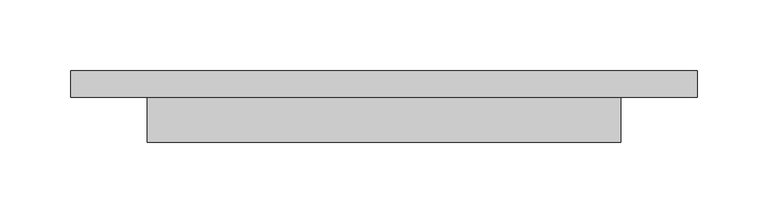
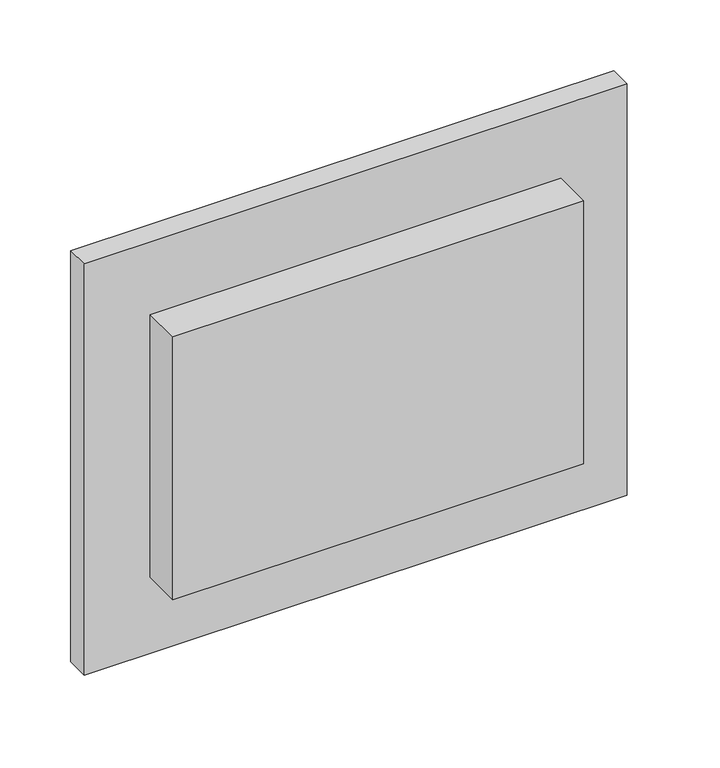
"""IFC4 building model written with IfcOpenShell, lengths in millimetres: proxy geometry."""

import ifcopenshell
import ifcopenshell.guid

model = None  # the IFC model being written
_history = None  # IfcOwnerHistory: only IFC2X3 demands one
_inside = {}  # id of a spatial element -> (the spatial element, [elements in it])
_under = {}  # id of a project, library or spatial element -> (it, [spatial elements below it])
_declared = {}  # id of a project -> (the project, [libraries it declares])
_typed = {}  # id of a type object -> (the type object, [elements of that type])
_made_of = {}  # id of a material, layer set ... -> (it, [elements and type objects made of it])


def new_model(schema):
    """Start an empty IFC model of exactly this schema.

    Asked for "IFC4X3", IfcOpenShell would pick the latest addendum, in which some entities
    have other attributes; the version numbers below select the first issue.
    IFC2X3 requires an IfcOwnerHistory on every rooted entity: one is made here for all.
    """
    global model, _history
    if schema == "IFC4X3":
        model = ifcopenshell.file(schema_version=(4, 3, 0, 0))
    else:
        model = ifcopenshell.file(schema=schema)
    _inside.clear()
    _under.clear()
    _declared.clear()
    _typed.clear()
    _made_of.clear()
    _history = None
    if model.schema == "IFC2X3":
        org = make("IfcOrganization", Name="unknown")
        user = make(
            "IfcPersonAndOrganization",
            ThePerson=make("IfcPerson", FamilyName="unknown"),
            TheOrganization=org,
        )
        app = make(
            "IfcApplication",
            ApplicationDeveloper=org,
            Version="unknown",
            ApplicationFullName="unknown",
            ApplicationIdentifier="unknown",
        )
        _history = make(
            "IfcOwnerHistory",
            OwningUser=user,
            OwningApplication=app,
            ChangeAction="ADDED",
            CreationDate=0,
        )
    return model


def make(cls, **values):
    """One entity of the class cls with the attributes given. An attribute that is None is left unset."""
    return model.create_entity(
        cls, **{name: value for name, value in values.items() if value is not None}
    )


def rooted(cls, **values):
    """An entity with a GlobalId (a new one), such as an element, a storey or a relation."""
    return make(cls, GlobalId=ifcopenshell.guid.new(), OwnerHistory=_history, **values)


def si_unit(unit_type, name, prefix=None):
    """IfcSIUnit, for example si_unit("LENGTHUNIT", "METRE", prefix="MILLI")."""
    return make("IfcSIUnit", UnitType=unit_type, Prefix=prefix, Name=name)


def assignment(units):
    """IfcUnitAssignment: the units of a project."""
    return None if units is None else make("IfcUnitAssignment", Units=units)


def point(xyz):
    """IfcCartesianPoint."""
    return None if xyz is None else make("IfcCartesianPoint", Coordinates=xyz)


def direction(xyz):
    """IfcDirection."""
    return None if xyz is None else make("IfcDirection", DirectionRatios=xyz)


def frame(location, z_axis=None, x_axis=None):
    """IfcAxis2Placement3D, a coordinate frame: its origin and axes. An axis left out is left unset."""
    return make(
        "IfcAxis2Placement3D",
        Location=point(location),
        Axis=direction(z_axis),
        RefDirection=direction(x_axis),
    )


def origin():
    """The frame at (0, 0, 0) with its axes left unset."""
    return frame((0.0, 0.0, 0.0))


def place(relative_to, where):
    """IfcLocalPlacement: puts the frame where relative to a parent placement (None: the world)."""
    return make(
        "IfcLocalPlacement", PlacementRelTo=relative_to, RelativePlacement=where
    )


def context(
    kind, dimensions, precision=None, world=None, true_north=None, identifier=None
):
    """IfcGeometricRepresentationContext, for example the 3D "Model" context."""
    return make(
        "IfcGeometricRepresentationContext",
        ContextIdentifier=identifier,
        ContextType=kind,
        CoordinateSpaceDimension=dimensions,
        Precision=precision,
        WorldCoordinateSystem=world,
        TrueNorth=true_north,
    )


def project(units=None, contexts=None):
    """IfcProject with its units and contexts."""
    return rooted(
        "IfcProject",
        Name="project",
        RepresentationContexts=contexts,
        UnitsInContext=assignment(units),
    )


def spatial(cls, under=None, at=None, **own):
    """A site, building, storey or space (cls), placed at a placement, below another one or the project."""
    s = rooted(cls, ObjectPlacement=at, **own)
    if under is not None:
        _under.setdefault(under.id(), (under, []))[1].append(s)
    return s


def polyline(points):
    """IfcPolyline through the points."""
    return make("IfcPolyline", Points=[point(p) for p in points])


def outline(outer, holes=None, kind="AREA"):
    """IfcArbitraryClosedProfileDef: a profile drawn as a closed curve; with holes, ...WithVoids."""
    if holes is None:
        return make("IfcArbitraryClosedProfileDef", ProfileType=kind, OuterCurve=outer)
    return make(
        "IfcArbitraryProfileDefWithVoids",
        ProfileType=kind,
        OuterCurve=outer,
        InnerCurves=holes,
    )


def extrude(swept, where, along, depth):
    """IfcExtrudedAreaSolid: the profile swept, set in the frame where, extruded along a direction by depth."""
    return make(
        "IfcExtrudedAreaSolid",
        SweptArea=swept,
        Position=where,
        ExtrudedDirection=direction(along),
        Depth=depth,
    )


def shape(context_of_items, identifier, shape_type, items):
    """IfcShapeRepresentation: the items that make up one representation, for example the "Body"."""
    return make(
        "IfcShapeRepresentation",
        ContextOfItems=context_of_items,
        RepresentationIdentifier=identifier,
        RepresentationType=shape_type,
        Items=items,
    )


def source(mapping_origin, context_of_items, identifier, shape_type, items):
    """IfcRepresentationMap: a shape defined once, which mapped items show again and again."""
    return make(
        "IfcRepresentationMap",
        MappingOrigin=mapping_origin,
        MappedRepresentation=shape(context_of_items, identifier, shape_type, items),
    )


def transform(
    local_origin,
    x_axis=None,
    y_axis=None,
    z_axis=None,
    scale=None,
    scale2=None,
    scale3=None,
    uniform=True,
):
    """IfcCartesianTransformationOperator3D, or its non-uniform kind. x_axis, y_axis, z_axis: its Axis1, 2, 3."""
    if uniform:
        return make(
            "IfcCartesianTransformationOperator3D",
            Axis1=direction(x_axis),
            Axis2=direction(y_axis),
            LocalOrigin=point(local_origin),
            Scale=scale,
            Axis3=direction(z_axis),
        )
    return make(
        "IfcCartesianTransformationOperator3DnonUniform",
        Axis1=direction(x_axis),
        Axis2=direction(y_axis),
        LocalOrigin=point(local_origin),
        Scale=scale,
        Axis3=direction(z_axis),
        Scale2=scale2,
        Scale3=scale3,
    )


def mapped(mapping_source, mapping_target):
    """IfcMappedItem: shows the shape of a source again, moved by a transform."""
    return make(
        "IfcMappedItem", MappingSource=mapping_source, MappingTarget=mapping_target
    )


def made_of(thing, what):
    """Note that an element or type object is made of a material, layer set ...; save() writes the relation."""
    if what is not None:
        _made_of.setdefault(what.id(), (what, []))[1].append(thing)
    return thing


def element(
    cls,
    number,
    at=None,
    inside=None,
    cuts=None,
    type_object=None,
    material=None,
    context=None,
    identifier="Body",
    shape_type=None,
    held_by="IfcProductDefinitionShape",
    body=None,
    shapes=None,
    **own,
):
    """One element of the class cls, such as IfcWall. Its Tag is "e" and its number.

    at: its placement. inside: the storey or other place that contains it. cuts: it is an
    opening in that element (IfcRelVoidsElement). A single representation is given by context,
    identifier, shape_type and body (its items); several are given by shapes. held_by: the class
    of the entity that holds the representations. save() writes the other relations.
    """
    e = rooted(cls, Tag="e%d" % number, ObjectPlacement=at, **own)
    if body is not None:
        shapes = [shape(context, identifier, shape_type, body)]
    if shapes is not None:
        e.Representation = make(held_by, Representations=shapes)
    if inside is not None:
        _inside.setdefault(inside.id(), (inside, []))[1].append(e)
    if cuts is not None:
        rooted(
            "IfcRelVoidsElement", RelatingBuildingElement=cuts, RelatedOpeningElement=e
        )
    if type_object is not None:
        _typed.setdefault(type_object.id(), (type_object, []))[1].append(e)
    return made_of(e, material)


def aggregate(whole, parts):
    """IfcRelAggregates: a whole, such as a stair, and the parts it consists of."""
    return rooted("IfcRelAggregates", RelatingObject=whole, RelatedObjects=parts)


def save(model, path):
    """Write the relations noted so far, then the file.

    IfcRelAggregates (storeys below a building ...), IfcRelContainedInSpatialStructure (elements
    in a storey), IfcRelDefinesByType, IfcRelAssociatesMaterial and IfcRelDeclares: one each for
    every whole, place, type object, material and project.
    """
    for whole, parts in _under.values():
        aggregate(whole, parts)
    for where, things in _inside.values():
        rooted(
            "IfcRelContainedInSpatialStructure",
            RelatedElements=things,
            RelatingStructure=where,
        )
    for kind, things in _typed.values():
        rooted("IfcRelDefinesByType", RelatedObjects=things, RelatingType=kind)
    for what, things in _made_of.values():
        rooted("IfcRelAssociatesMaterial", RelatedObjects=things, RelatingMaterial=what)
    for by, libraries in _declared.values():
        rooted("IfcRelDeclares", RelatingContext=by, RelatedDefinitions=libraries)
    model.write(path)


def specialty_equipment_2e0f4c6d(model_context):
    return source(origin(), model_context, "Body", "SweptSolid", [
        extrude(outline(polyline([(168.0120921, 13.7499557), (-168.0120921, 13.7499557), (-168.0120921, 45.4999557), (168.0120921, 45.4999557), (168.0120921, 13.7499557)])), frame((0.0, 0.0, 192.5683002), z_axis=(0.0, 0.0, 1.0), x_axis=(1.0, 0.0, 0.0)), (0.0, 0.0, 1.0), 227.3004533),
        extrude(outline(polyline([(222.25, 45.4999557), (-222.25, 45.4999557), (-222.25, 64.5499557), (222.25, 64.5499557), (222.25, 45.4999557)])), frame((0.0, 0.0, 127.0), z_axis=(0.0, 0.0, 1.0), x_axis=(1.0, 0.0, 0.0)), (0.0, 0.0, 1.0), 355.6),
    ])


if __name__ == "__main__":
    model = new_model("IFC4")
    model_context = context("Model", 3, world=origin())
    ifc_project = project(units=[si_unit("LENGTHUNIT", "METRE", prefix="MILLI")], contexts=[model_context])
    site = spatial("IfcSite", under=ifc_project)
    building = spatial("IfcBuilding", under=site)
    placement = place(None, origin())
    specialty_equipment_shape = specialty_equipment_2e0f4c6d(model_context)
    element("IfcBuildingElementProxy", 1, Name="Specialty Equipment", at=placement, inside=building, context=model_context, shape_type="MappedRepresentation", body=[
        mapped(specialty_equipment_shape, transform((0.0, 0.0, 0.0), x_axis=(1.0, 0.0, 0.0), y_axis=(0.0, 1.0, 0.0), z_axis=(0.0, 0.0, 1.0))),
    ])
    save(model, "model.ifc")
